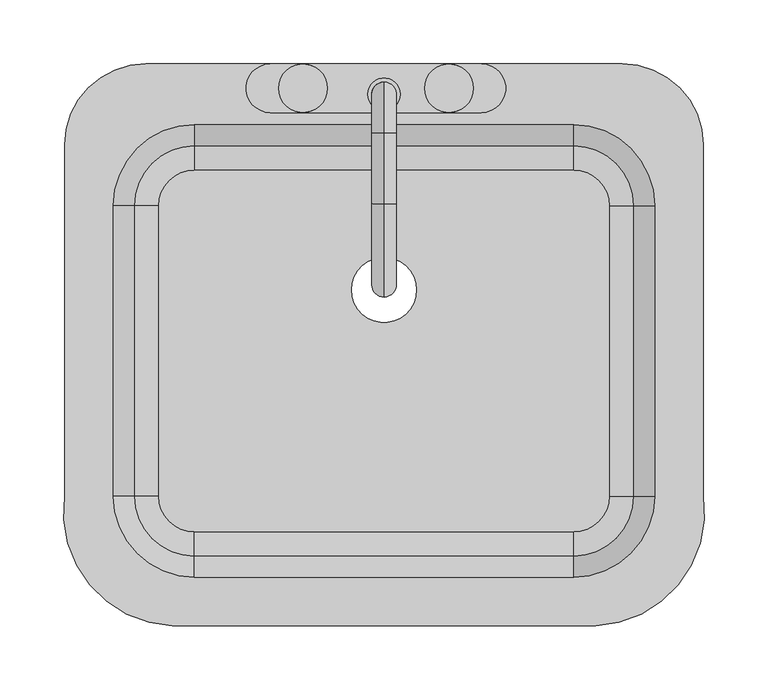
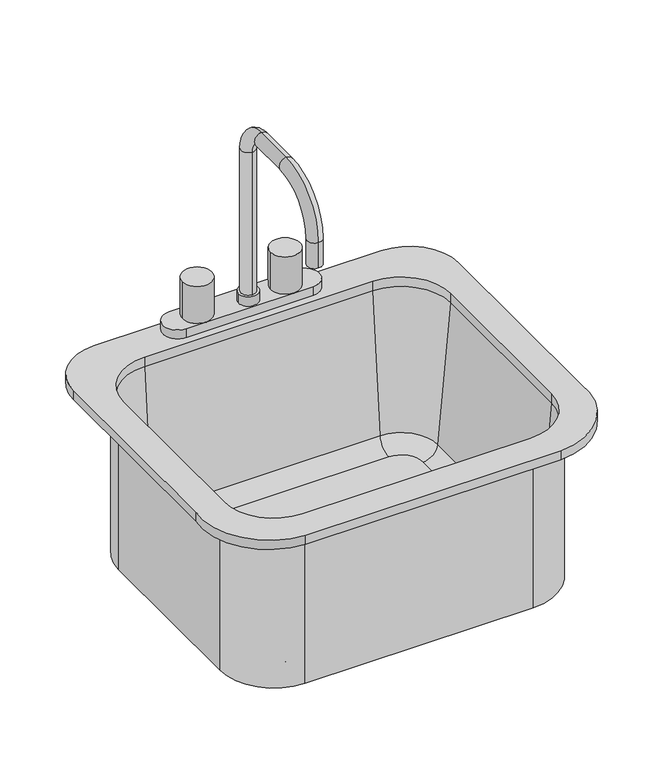
"""IFC4 building model written with IfcOpenShell, lengths in millimetres: flow terminal geometry."""

from ifc_helpers import new_model, si_unit, point, frame, origin, place, context, project, spatial, polyline, circle_curve, ellipse_curve, trimmed, source, transform, mapped, element, save
from ifc_brep_helpers import plane_surface, cylinder_surface, revolved_surface, advanced_brep


def flow_terminal_1e229b74(model_context):
    return source(origin(), model_context, "Body", "AdvancedBrep", [
        advanced_brep(
        [(233.9392406, 69.0204011, 534.1), (164.0892406, 138.8704011, 534.1), (164.0892406, 138.8704011, 750.0), (233.9392406, 69.0204011, 750.0), (233.9392406, -158.2545989, 534.1), (164.0892406, -228.1045989, 534.1), (-132.7107594, -228.1045989, 534.1), (-202.5607594, -158.2545989, 534.1), (-202.5607594, 69.0204011, 534.1), (-132.7107594, 138.8704011, 534.1), (-9.7107594, 3.175, 534.1), (41.0892406, 3.175, 534.1), (192.0776588, 69.0204011, 543.625), (164.0892406, 97.0088193, 543.625), (-132.7107594, 97.0088193, 543.625), (-160.6991776, 69.0204011, 543.625), (-160.6991776, -158.2545989, 543.625), (-132.7107594, -186.2430171, 543.625), (164.0892406, -186.2430171, 543.625), (192.0776588, -158.2545989, 543.625), (-9.7107594, 3.175, 543.625), (41.0892406, 3.175, 543.625), (211.0551678, 69.0204011, 561.0146831), (164.0892406, 115.9863283, 561.0146831), (227.5892406, 69.0204011, 750.0), (164.0892406, 132.5204011, 750.0), (233.9392406, -158.2545989, 750.0), (211.0551678, -158.2545989, 561.0146831), (227.5892406, -158.2545989, 750.0), (164.0892406, -228.1045989, 750.0), (164.0892406, -205.2205261, 561.0146831), (164.0892406, -221.7545989, 750.0), (-132.7107594, -228.1045989, 750.0), (-132.7107594, -205.2205261, 561.0146831), (-132.7107594, -221.7545989, 750.0), (-202.5607594, -158.2545989, 750.0), (-179.6766866, -158.2545989, 561.0146831), (-196.2107594, -158.2545989, 750.0), (-202.5607594, 69.0204011, 750.0), (-179.6766866, 69.0204011, 561.0146831), (-196.2107594, 69.0204011, 750.0), (-132.7107594, 138.8704011, 750.0), (-132.7107594, 115.9863283, 561.0146831), (-132.7107594, 132.5204011, 750.0), (-149.9606923, -259.8545989, 762.7), (181.3391735, -259.8545989, 762.7), (265.6892406, -158.2545989, 762.7), (265.6892406, 116.6454011, 762.7), (202.1892406, 180.1454011, 762.7), (-170.8107593, 180.1454011, 762.7), (-234.3107593, 116.6454011, 762.7), (-234.3107593, -158.2545982, 762.7), (164.0892406, 132.5204011, 762.7), (227.5892406, 69.0204011, 762.7), (227.5892406, -158.2545989, 762.7), (164.0892406, -221.7545989, 762.7), (-132.7107594, -221.7545989, 762.7), (-196.2107594, -158.2545989, 762.7), (-196.2107594, 69.0204011, 762.7), (-132.7107594, 132.5204011, 762.7), (-149.9606923, -259.8545989, 750.0), (-234.3107593, -158.2545982, 750.0), (-234.3107593, 116.6454011, 750.0), (-170.8107593, 180.1454011, 750.0), (202.1892406, 180.1454011, 750.0), (265.6892406, 116.6454011, 750.0), (265.6892406, -158.2545989, 750.0), (181.3391735, -259.8545989, 750.0)],
        [
            (0, 1, circle_curve(frame((164.0892406, 69.0204011, 534.1), z_axis=(0.0, 0.0, 1.0), x_axis=(0.0, 1.0, 0.0)), 69.85)),
            (1, 2),
            (2, 3, circle_curve(frame((164.0892406, 69.0204011, 750.0), z_axis=(0.0, 0.0, -1.0), x_axis=(0.0, 1.0, 0.0)), 69.85)),
            (3, 0),
            (0, 4),
            (4, 5, circle_curve(frame((164.0892406, -158.2545989, 534.1), z_axis=(0.0, 0.0, -1.0), x_axis=(1.0, 0.0, 0.0)), 69.85)),
            (5, 6),
            (6, 7, circle_curve(frame((-132.7107594, -158.2545989, 534.1), z_axis=(0.0, 0.0, -1.0), x_axis=(0.0, -1.0, 0.0)), 69.85)),
            (7, 8),
            (8, 9, circle_curve(frame((-132.7107594, 69.0204011, 534.1), z_axis=(0.0, 0.0, -1.0), x_axis=(-1.0, 0.0, 0.0)), 69.85)),
            (9, 1),
            (10, 11, circle_curve(frame((15.6892406, 3.175, 534.1), z_axis=(0.0, 0.0, 1.0), x_axis=(1.0, 0.0, 0.0)), 25.4)),
            (11, 10, circle_curve(frame((15.6892406, 3.175, 534.1), z_axis=(0.0, 0.0, 1.0), x_axis=(1.0, 0.0, 0.0)), 25.4)),
            (12, 13, circle_curve(frame((164.0892406, 69.0204011, 543.625), z_axis=(0.0, 0.0, 1.0), x_axis=(0.0, 1.0, 0.0)), 27.9884182)),
            (13, 14),
            (14, 15, circle_curve(frame((-132.7107594, 69.0204011, 543.625), z_axis=(0.0, 0.0, 1.0), x_axis=(-1.0, 0.0, 0.0)), 27.9884182)),
            (15, 16),
            (16, 17, circle_curve(frame((-132.7107594, -158.2545989, 543.625), z_axis=(0.0, 0.0, 1.0), x_axis=(0.0, -1.0, 0.0)), 27.9884182)),
            (17, 18),
            (18, 19, circle_curve(frame((164.0892406, -158.2545989, 543.625), z_axis=(0.0, 0.0, 1.0), x_axis=(1.0, 0.0, 0.0)), 27.9884182)),
            (19, 12),
            (20, 21, circle_curve(frame((15.6892406, 3.175, 543.625), z_axis=(0.0, 0.0, -1.0), x_axis=(1.0, 0.0, 0.0)), 25.4)),
            (21, 20, circle_curve(frame((15.6892406, 3.175, 543.625), z_axis=(0.0, 0.0, -1.0), x_axis=(1.0, 0.0, 0.0)), 25.4)),
            (12, 22, circle_curve(frame((192.0776588, 69.0204011, 562.675), z_axis=(0.0, -1.0, 0.0), x_axis=(1.0, 0.0, 0.0)), 19.05)),
            (22, 23, circle_curve(frame((164.0892406, 69.0204011, 561.0146831), z_axis=(0.0, 0.0, 1.0), x_axis=(0.0, 1.0, 0.0)), 46.9659272)),
            (23, 13, circle_curve(frame((164.0892406, 97.0088193, 562.675), z_axis=(-1.0, 0.0, 0.0), x_axis=(0.0, 1.0, 0.0)), 19.05)),
            (22, 24),
            (24, 25, circle_curve(frame((164.0892406, 69.0204011, 750.0), z_axis=(0.0, 0.0, 1.0), x_axis=(0.0, 1.0, 0.0)), 63.5)),
            (25, 23),
            (3, 26),
            (26, 4),
            (19, 27, circle_curve(frame((192.0776588, -158.2545989, 562.675), z_axis=(0.0, -1.0, 0.0), x_axis=(1.0, 0.0, 0.0)), 19.05)),
            (27, 22),
            (27, 28),
            (28, 24),
            (26, 29, circle_curve(frame((164.0892406, -158.2545989, 750.0), z_axis=(0.0, 0.0, -1.0), x_axis=(1.0, 0.0, 0.0)), 69.85)),
            (29, 5),
            (18, 30, circle_curve(frame((164.0892406, -186.2430171, 562.675), z_axis=(-1.0, 0.0, 0.0), x_axis=(0.0, -1.0, 0.0)), 19.05)),
            (30, 27, circle_curve(frame((164.0892406, -158.2545989, 561.0146831), z_axis=(0.0, 0.0, 1.0), x_axis=(1.0, 0.0, 0.0)), 46.9659272)),
            (30, 31),
            (31, 28, circle_curve(frame((164.0892406, -158.2545989, 750.0), z_axis=(0.0, 0.0, 1.0), x_axis=(1.0, 0.0, 0.0)), 63.5)),
            (29, 32),
            (32, 6),
            (17, 33, circle_curve(frame((-132.7107594, -186.2430171, 562.675), z_axis=(-1.0, 0.0, 0.0), x_axis=(0.0, -1.0, 0.0)), 19.05)),
            (33, 30),
            (33, 34),
            (34, 31),
            (32, 35, circle_curve(frame((-132.7107594, -158.2545989, 750.0), z_axis=(0.0, 0.0, -1.0), x_axis=(0.0, -1.0, 0.0)), 69.85)),
            (35, 7),
            (16, 36, circle_curve(frame((-160.6991776, -158.2545989, 562.675), z_axis=(0.0, 1.0, 0.0), x_axis=(-1.0, 0.0, 0.0)), 19.05)),
            (36, 33, circle_curve(frame((-132.7107594, -158.2545989, 561.0146831), z_axis=(0.0, 0.0, 1.0), x_axis=(0.0, -1.0, 0.0)), 46.9659272)),
            (36, 37),
            (37, 34, circle_curve(frame((-132.7107594, -158.2545989, 750.0), z_axis=(0.0, 0.0, 1.0), x_axis=(0.0, -1.0, 0.0)), 63.5)),
            (35, 38),
            (38, 8),
            (15, 39, circle_curve(frame((-160.6991776, 69.0204011, 562.675), z_axis=(0.0, 1.0, 0.0), x_axis=(-1.0, 0.0, 0.0)), 19.05)),
            (39, 36),
            (39, 40),
            (40, 37),
            (38, 41, circle_curve(frame((-132.7107594, 69.0204011, 750.0), z_axis=(0.0, 0.0, -1.0), x_axis=(-1.0, 0.0, 0.0)), 69.85)),
            (41, 9),
            (14, 42, circle_curve(frame((-132.7107594, 97.0088193, 562.675), z_axis=(1.0, 0.0, 0.0), x_axis=(0.0, 1.0, 0.0)), 19.05)),
            (42, 39, circle_curve(frame((-132.7107594, 69.0204011, 561.0146831), z_axis=(0.0, 0.0, 1.0), x_axis=(-1.0, 0.0, 0.0)), 46.9659272)),
            (42, 43),
            (43, 40, circle_curve(frame((-132.7107594, 69.0204011, 750.0), z_axis=(0.0, 0.0, 1.0), x_axis=(-1.0, 0.0, 0.0)), 63.5)),
            (41, 2),
            (23, 42),
            (25, 43),
            (20, 10),
            (11, 21),
            (44, 45),
            (45, 46, circle_curve(frame((177.5319557, -170.8793432, 762.7), z_axis=(0.0, 0.0, 1.0), x_axis=(1.0, 0.0, 0.0)), 89.0566732)),
            (46, 47),
            (47, 48, circle_curve(frame((202.1892406, 116.6454011, 762.7), z_axis=(0.0, 0.0, 1.0), x_axis=(1.0, 0.0, 0.0)), 63.5)),
            (48, 49),
            (49, 50, circle_curve(frame((-170.8107593, 116.6454011, 762.7), z_axis=(0.0, 0.0, 1.0), x_axis=(1.0, 0.0, 0.0)), 63.5)),
            (50, 51),
            (51, 44, circle_curve(frame((-146.1534746, -170.8793432, 762.7), z_axis=(0.0, 0.0, 1.0), x_axis=(1.0, 0.0, 0.0)), 89.0566732)),
            (52, 53, circle_curve(frame((164.0892406, 69.0204011, 762.7), z_axis=(0.0, 0.0, -1.0), x_axis=(1.0, 0.0, 0.0)), 63.5)),
            (53, 54),
            (54, 55, circle_curve(frame((164.0892406, -158.2545989, 762.7), z_axis=(0.0, 0.0, -1.0), x_axis=(1.0, 0.0, 0.0)), 63.5)),
            (55, 56),
            (56, 57, circle_curve(frame((-132.7107594, -158.2545989, 762.7), z_axis=(0.0, 0.0, -1.0), x_axis=(1.0, 0.0, 0.0)), 63.5)),
            (57, 58),
            (58, 59, circle_curve(frame((-132.7107594, 69.0204011, 762.7), z_axis=(0.0, 0.0, -1.0), x_axis=(1.0, 0.0, 0.0)), 63.5)),
            (59, 52),
            (60, 61, circle_curve(frame((-146.1534746, -170.8793432, 750.0), z_axis=(0.0, 0.0, -1.0), x_axis=(1.0, 0.0, 0.0)), 89.0566732)),
            (61, 62),
            (62, 63, circle_curve(frame((-170.8107593, 116.6454011, 750.0), z_axis=(0.0, 0.0, -1.0), x_axis=(1.0, 0.0, 0.0)), 63.5)),
            (63, 64),
            (64, 65, circle_curve(frame((202.1892406, 116.6454011, 750.0), z_axis=(0.0, 0.0, -1.0), x_axis=(1.0, 0.0, 0.0)), 63.5)),
            (65, 66),
            (66, 67, circle_curve(frame((177.5319557, -170.8793432, 750.0), z_axis=(0.0, 0.0, -1.0), x_axis=(1.0, 0.0, 0.0)), 89.0566732)),
            (67, 60),
            (44, 60),
            (67, 45),
            (66, 46),
            (65, 47),
            (64, 48),
            (63, 49),
            (62, 50),
            (61, 51),
            (52, 25),
            (24, 53),
            (28, 54),
            (31, 55),
            (34, 56),
            (37, 57),
            (40, 58),
            (43, 59),
        ],
        [
            cylinder_surface(frame((164.0892406, 69.0204011, 0.0), z_axis=(0.0, 0.0, -1.0), x_axis=(0.0, 1.0, 0.0)), 69.85),
            plane_surface(frame((164.0892406, 69.0204011, 534.1), z_axis=(0.0, 0.0, -1.0), x_axis=(0.0, 1.0, 0.0))),
            plane_surface(frame((164.0892406, 69.0204011, 543.625), z_axis=(0.0, 0.0, 1.0), x_axis=(0.0, 1.0, 0.0))),
            revolved_surface(trimmed(ellipse_curve(frame((164.0892406, 97.0088193, 562.675), z_axis=(1.0, 0.0, 0.0), x_axis=(0.0, 1.0, 0.0)), 19.05, 19.05), [point((164.0892406, 97.0088193, 543.625))], [point((164.0892406, 115.9863283, 561.0146831))], True, "CARTESIAN"), (164.0892406, 69.0204011, 0.0), (0.0, 0.0, -1.0)),
            revolved_surface(polyline([(164.0892406, 115.9863283, 561.0146831), (164.0892406, 132.5204011, 750.0)]), (164.0892406, 69.0204011, 0.0), (0.0, 0.0, -1.0)),
            plane_surface(frame((233.9392406, 69.0204011, 750.0), z_axis=(1.0, 0.0, 0.0), x_axis=(0.0, -1.0, 0.0))),
            revolved_surface(polyline([(211.1276588, -158.25459889999996, 562.675), (211.1276588, 69.0204011, 562.675)]), (192.0776588, 69.0204011, 562.675), (0.0, -1.0, 0.0)),
            plane_surface(frame((211.0551678, 69.0204011, 561.0146831), z_axis=(-0.9961946980917442, 0.0, 0.0871557427476735), x_axis=(0.0, -1.0, 0.0))),
            cylinder_surface(frame((164.0892406, -158.2545989, 0.0), z_axis=(0.0, 0.0, -1.0), x_axis=(1.0, 0.0, 0.0)), 69.85),
            revolved_surface(trimmed(ellipse_curve(frame((192.0776588, -158.2545989, 562.675), z_axis=(0.0, -1.0, 0.0), x_axis=(1.0, 0.0, 0.0)), 19.05, 19.05), [point((192.0776588, -158.2545989, 543.625))], [point((211.0551678, -158.2545989, 561.0146831))], True, "CARTESIAN"), (164.0892406, -158.2545989, 0.0), (0.0, 0.0, -1.0)),
            revolved_surface(polyline([(211.0551678, -158.2545989, 561.0146831), (227.5892406, -158.2545989, 750.0)]), (164.0892406, -158.2545989, 0.0), (0.0, 0.0, -1.0)),
            plane_surface(frame((164.0892406, -228.1045989, 750.0), z_axis=(0.0, -1.0, 0.0), x_axis=(-1.0, 0.0, 0.0))),
            revolved_surface(polyline([(-132.7107594, -205.29301710000001, 562.675), (164.0892406, -205.29301710000001, 562.675)]), (164.0892406, -186.2430171, 562.675), (-1.0, 0.0, 0.0)),
            plane_surface(frame((164.0892406, -205.2205261, 561.0146831), z_axis=(0.0, 0.9961946980917442, 0.0871557427476735), x_axis=(-1.0, 0.0, 0.0))),
            cylinder_surface(frame((-132.7107594, -158.2545989, 0.0), z_axis=(0.0, 0.0, -1.0), x_axis=(0.0, -1.0, 0.0)), 69.85),
            revolved_surface(trimmed(ellipse_curve(frame((-132.7107594, -186.2430171, 562.675), z_axis=(-1.0, 0.0, 0.0), x_axis=(0.0, -1.0, 0.0)), 19.05, 19.05), [point((-132.7107594, -186.2430171, 543.625))], [point((-132.7107594, -205.2205261, 561.0146831))], True, "CARTESIAN"), (-132.7107594, -158.2545989, 0.0), (0.0, 0.0, -1.0)),
            revolved_surface(polyline([(-132.7107594, -205.2205261, 561.0146831), (-132.7107594, -221.7545989, 750.0)]), (-132.7107594, -158.2545989, 0.0), (0.0, 0.0, -1.0)),
            plane_surface(frame((-202.5607594, -158.2545989, 750.0), z_axis=(-1.0, 0.0, 0.0), x_axis=(0.0, 1.0, 0.0))),
            revolved_surface(polyline([(-179.74917760000002, 69.02040109999999, 562.675), (-179.74917760000002, -158.2545989, 562.675)]), (-160.6991776, -158.2545989, 562.675), (0.0, 1.0, 0.0)),
            plane_surface(frame((-179.6766866, -158.2545989, 561.0146831), z_axis=(0.9961946980917442, 0.0, 0.0871557427476735), x_axis=(0.0, 1.0, 0.0))),
            cylinder_surface(frame((-132.7107594, 69.0204011, 0.0), z_axis=(0.0, 0.0, -1.0), x_axis=(-1.0, 0.0, 0.0)), 69.85),
            revolved_surface(trimmed(ellipse_curve(frame((-160.6991776, 69.0204011, 562.675), z_axis=(0.0, 1.0, 0.0), x_axis=(-1.0, 0.0, 0.0)), 19.05, 19.05), [point((-160.6991776, 69.0204011, 543.625))], [point((-179.6766866, 69.0204011, 561.0146831))], True, "CARTESIAN"), (-132.7107594, 69.0204011, 0.0), (0.0, 0.0, -1.0)),
            revolved_surface(polyline([(-179.6766866, 69.0204011, 561.0146831), (-196.2107594, 69.0204011, 750.0)]), (-132.7107594, 69.0204011, 0.0), (0.0, 0.0, -1.0)),
            plane_surface(frame((-132.7107594, 138.8704011, 750.0), z_axis=(0.0, 1.0, 0.0), x_axis=(1.0, 0.0, 0.0))),
            revolved_surface(polyline([(164.0892406, 116.0588193, 562.675), (-132.7107594, 116.0588193, 562.675)]), (-132.7107594, 97.0088193, 562.675), (1.0, 0.0, 0.0)),
            plane_surface(frame((-132.7107594, 115.9863283, 561.0146831), z_axis=(0.0, -0.9961946980917442, 0.0871557427476735), x_axis=(1.0, 0.0, 0.0))),
            revolved_surface(polyline([(41.0892406, 3.175, 534.1), (41.0892406, 3.175, 543.625)]), (15.6892406, 3.175, 0.0), (0.0, 0.0, -1.0)),
            plane_surface(frame((181.3391735, -259.8545989, 762.7), z_axis=(0.0, 0.0, 1.0), x_axis=(1.0, 0.0, 0.0))),
            plane_surface(frame((181.3391735, -259.8545989, 750.0), z_axis=(0.0, 0.0, -1.0), x_axis=(-1.0, 0.0, 0.0))),
            plane_surface(frame((-149.9606923, -259.8545989, 762.7), z_axis=(0.0, -1.0, 0.0), x_axis=(0.0, 0.0, -1.0))),
            cylinder_surface(frame((177.5319557, -170.8793432, 750.0), z_axis=(0.0, 0.0, 1.0), x_axis=(1.0, 0.0, 0.0)), 89.0566732),
            plane_surface(frame((265.6892406, -158.2545989, 762.7), z_axis=(1.0, 0.0, 0.0), x_axis=(0.0, 0.0, -1.0))),
            cylinder_surface(frame((202.1892406, 116.6454011, 750.0), z_axis=(0.0, 0.0, 1.0), x_axis=(1.0, 0.0, 0.0)), 63.5),
            plane_surface(frame((202.1892406, 180.1454011, 762.7), z_axis=(0.0, 1.0, 0.0), x_axis=(0.0, 0.0, -1.0))),
            cylinder_surface(frame((-170.8107593, 116.6454011, 750.0), z_axis=(0.0, 0.0, 1.0), x_axis=(1.0, 0.0, 0.0)), 63.5),
            plane_surface(frame((-234.3107593, 116.6454011, 762.7), z_axis=(-1.0, 0.0, 0.0), x_axis=(0.0, 0.0, -1.0))),
            cylinder_surface(frame((-146.1534746, -170.8793432, 750.0), z_axis=(0.0, 0.0, 1.0), x_axis=(1.0, 0.0, 0.0)), 89.0566732),
            revolved_surface(polyline([(227.5892406, 69.0204011, 750.0), (227.5892406, 69.0204011, 762.7)]), (164.0892406, 69.0204011, 0.0), (0.0, 0.0, -1.0)),
            plane_surface(frame((227.5892406, 69.0204011, 762.7), z_axis=(-1.0, 0.0, 0.0), x_axis=(0.0, 0.0, -1.0))),
            revolved_surface(polyline([(227.5892406, -158.2545989, 750.0), (227.5892406, -158.2545989, 762.7)]), (164.0892406, -158.2545989, 0.0), (0.0, 0.0, -1.0)),
            plane_surface(frame((164.0892406, -221.7545989, 762.7), z_axis=(0.0, 1.0, 0.0), x_axis=(0.0, 0.0, -1.0))),
            revolved_surface(polyline([(-69.2107594, -158.2545989, 750.0), (-69.2107594, -158.2545989, 762.7)]), (-132.7107594, -158.2545989, 0.0), (0.0, 0.0, -1.0)),
            plane_surface(frame((-196.2107594, -158.2545989, 762.7), z_axis=(1.0, 0.0, 0.0), x_axis=(0.0, 0.0, -1.0))),
            revolved_surface(polyline([(-69.2107594, 69.0204011, 750.0), (-69.2107594, 69.0204011, 762.7)]), (-132.7107594, 69.0204011, 0.0), (0.0, 0.0, -1.0)),
            plane_surface(frame((-132.7107594, 132.5204011, 762.7), z_axis=(0.0, -1.0, 0.0), x_axis=(0.0, 0.0, -1.0))),
        ],
        [
            (0, [[1, 2, 3, 4]]),
            (1, [[-1, 5, 6, 7, 8, 9, 10, 11], [12, 13]]),
            (2, [[14, 15, 16, 17, 18, 19, 20, 21], [22, 23]]),
            (3, [[-14, 24, 25, 26]]),
            (4, [[-25, 27, 28, 29]]),
            (5, [[-4, 30, 31, -5]]),
            (6, [[-24, -21, 32, 33]]),
            (7, [[-27, -33, 34, 35]]),
            (8, [[-31, 36, 37, -6]]),
            (9, [[-32, -20, 38, 39]]),
            (10, [[-34, -39, 40, 41]]),
            (11, [[-37, 42, 43, -7]]),
            (12, [[-38, -19, 44, 45]]),
            (13, [[-40, -45, 46, 47]]),
            (14, [[-43, 48, 49, -8]]),
            (15, [[-44, -18, 50, 51]]),
            (16, [[-46, -51, 52, 53]]),
            (17, [[-49, 54, 55, -9]]),
            (18, [[-50, -17, 56, 57]]),
            (19, [[-52, -57, 58, 59]]),
            (20, [[-55, 60, 61, -10]]),
            (21, [[-56, -16, 62, 63]]),
            (22, [[-58, -63, 64, 65]]),
            (23, [[-2, -11, -61, 66]]),
            (24, [[-26, 67, -62, -15]]),
            (25, [[-29, 68, -64, -67]]),
            (26, [[-22, 69, -13, 70]]),
            (26, [[-23, -70, -12, -69]]),
            (27, [[71, 72, 73, 74, 75, 76, 77, 78], [79, 80, 81, 82, 83, 84, 85, 86]]),
            (28, [[87, 88, 89, 90, 91, 92, 93, 94], [-3, -66, -60, -54, -48, -42, -36, -30]]),
            (29, [[-71, 95, -94, 96]]),
            (30, [[-72, -96, -93, 97]]),
            (31, [[-73, -97, -92, 98]]),
            (32, [[-74, -98, -91, 99]]),
            (33, [[-75, -99, -90, 100]]),
            (34, [[-76, -100, -89, 101]]),
            (35, [[-77, -101, -88, 102]]),
            (36, [[-78, -102, -87, -95]]),
            (37, [[-79, 103, -28, 104]]),
            (38, [[-80, -104, -35, 105]]),
            (39, [[-81, -105, -41, 106]]),
            (40, [[-82, -106, -47, 107]]),
            (41, [[-83, -107, -53, 108]]),
            (42, [[-84, -108, -59, 109]]),
            (43, [[-85, -109, -65, 110]]),
            (44, [[-86, -110, -68, -103]]),
        ],
    ),
        advanced_brep(
        [(91.8892406, 180.1454011, 762.7), (91.8892406, 142.0454011, 762.7), (66.4892406, 142.0454011, 762.7), (-47.8107594, 142.0454011, 762.7), (-73.2107594, 142.0454011, 762.7), (-73.2107594, 180.1454011, 762.7), (-47.8107594, 180.1454011, 762.7), (66.4892406, 180.1454011, 762.7), (15.6892406, 165.8579011, 983.3625), (15.6892406, 146.8079011, 983.3625), (15.6892406, 146.8079011, 788.1), (15.6892406, 165.8579011, 788.1), (15.6892406, 126.1704011, 1023.05), (15.6892406, 126.1704011, 1004.0), (15.6892406, 70.6079011, 1023.05), (15.6892406, 70.6079011, 1004.0), (15.6892406, -2.4170989, 950.025), (15.6892406, 16.6329011, 950.025), (15.6892406, -2.4170989, 915.1), (15.6892406, 16.6329011, 915.1), (2.9892406, 156.3329011, 788.1), (28.3892406, 156.3329011, 788.1), (2.9892406, 156.3329011, 775.2), (28.3892406, 156.3329011, 775.2), (-73.2107594, 180.1454011, 775.2), (-73.2107594, 142.0454011, 775.2), (-47.8107594, 142.0454011, 775.2), (-66.8607594, 161.0954011, 775.2), (-47.8107594, 180.1454011, 775.2), (91.8892406, 142.0454011, 775.2), (91.8892406, 180.1454011, 775.2), (66.4892406, 180.1454011, 775.2), (85.5392406, 161.0954011, 775.2), (66.4892406, 142.0454011, 775.2), (-28.7607594, 161.0954011, 775.2), (47.4392406, 161.0954011, 775.2), (-66.8607594, 161.0954011, 826.2), (-28.7607594, 161.0954011, 826.2), (47.4392406, 161.0954011, 826.2), (85.5392406, 161.0954011, 826.2)],
        [
            (0, 1, circle_curve(frame((91.8892406, 161.0954011, 762.7), z_axis=(0.0, 0.0, -1.0), x_axis=(1.0, 0.0, 0.0)), 19.05)),
            (1, 2),
            (2, 3),
            (3, 4),
            (4, 5, circle_curve(frame((-73.2107594, 161.0954011, 762.7), z_axis=(0.0, 0.0, -1.0), x_axis=(1.0, 0.0, 0.0)), 19.05)),
            (5, 6),
            (6, 7),
            (7, 0),
            (8, 9, circle_curve(frame((15.6892406, 156.3329011, 983.3625), z_axis=(0.0, 0.0, -1.0), x_axis=(0.0, -1.0, 0.0)), 9.525)),
            (9, 10),
            (10, 11, circle_curve(frame((15.6892406, 156.3329011, 788.1), z_axis=(0.0, 0.0, 1.0), x_axis=(0.0, -1.0, 0.0)), 9.525)),
            (11, 8),
            (9, 8, circle_curve(frame((15.6892406, 156.3329011, 983.3625), z_axis=(0.0, 0.0, -1.0), x_axis=(0.0, -1.0, 0.0)), 9.525)),
            (11, 10, circle_curve(frame((15.6892406, 156.3329011, 788.1), z_axis=(0.0, 0.0, 1.0), x_axis=(0.0, -1.0, 0.0)), 9.525)),
            (8, 12, circle_curve(frame((15.6892406, 126.1704011, 983.3625), z_axis=(1.0, 0.0, 0.0), x_axis=(0.0, 1.0, 0.0)), 39.6875)),
            (12, 13, circle_curve(frame((15.6892406, 126.1704011, 1013.525), z_axis=(0.0, 1.0, 0.0), x_axis=(0.0, 0.0, -1.0)), 9.525)),
            (13, 9, circle_curve(frame((15.6892406, 126.1704011, 983.3625), z_axis=(-1.0, 0.0, 0.0), x_axis=(0.0, 1.0, 0.0)), 20.6375)),
            (13, 12, circle_curve(frame((15.6892406, 126.1704011, 1013.525), z_axis=(0.0, 1.0, 0.0), x_axis=(0.0, 0.0, -1.0)), 9.525)),
            (12, 14),
            (14, 15, circle_curve(frame((15.6892406, 70.6079011, 1013.525), z_axis=(0.0, 1.0, 0.0), x_axis=(0.0, 0.0, -1.0)), 9.525)),
            (15, 13),
            (15, 14, circle_curve(frame((15.6892406, 70.6079011, 1013.525), z_axis=(0.0, 1.0, 0.0), x_axis=(0.0, 0.0, -1.0)), 9.525)),
            (14, 16, circle_curve(frame((15.6892406, 70.6079011, 950.025), z_axis=(1.0, 0.0, 0.0), x_axis=(0.0, 0.0, 1.0)), 73.025)),
            (16, 17, circle_curve(frame((15.6892406, 7.1079011, 950.025), z_axis=(0.0, 0.0, 1.0), x_axis=(0.0, 1.0, 0.0)), 9.525)),
            (17, 15, circle_curve(frame((15.6892406, 70.6079011, 950.025), z_axis=(-1.0, 0.0, 0.0), x_axis=(0.0, 0.0, 1.0)), 53.975)),
            (17, 16, circle_curve(frame((15.6892406, 7.1079011, 950.025), z_axis=(0.0, 0.0, 1.0), x_axis=(0.0, 1.0, 0.0)), 9.525)),
            (18, 19, circle_curve(frame((15.6892406, 7.1079011, 915.1), z_axis=(0.0, 0.0, -1.0), x_axis=(0.0, 1.0, 0.0)), 9.525)),
            (19, 18, circle_curve(frame((15.6892406, 7.1079011, 915.1), z_axis=(0.0, 0.0, -1.0), x_axis=(0.0, 1.0, 0.0)), 9.525)),
            (16, 18),
            (19, 17),
            (20, 21, circle_curve(frame((15.6892406, 156.3329011, 788.1), z_axis=(0.0, 0.0, 1.0), x_axis=(1.0, 0.0, 0.0)), 12.7)),
            (21, 20, circle_curve(frame((15.6892406, 156.3329011, 788.1), z_axis=(0.0, 0.0, 1.0), x_axis=(1.0, 0.0, 0.0)), 12.7)),
            (20, 22),
            (22, 23, circle_curve(frame((15.6892406, 156.3329011, 775.2), z_axis=(0.0, 0.0, 1.0), x_axis=(1.0, 0.0, 0.0)), 12.7)),
            (23, 21),
            (23, 22, circle_curve(frame((15.6892406, 156.3329011, 775.2), z_axis=(0.0, 0.0, 1.0), x_axis=(1.0, 0.0, 0.0)), 12.7)),
            (24, 25, circle_curve(frame((-73.2107594, 161.0954011, 775.2), z_axis=(0.0, 0.0, 1.0), x_axis=(1.0, 0.0, 0.0)), 19.05)),
            (25, 26),
            (26, 27, circle_curve(frame((-47.8107594, 161.0954011, 775.2), z_axis=(0.0, 0.0, -1.0), x_axis=(1.0, 0.0, 0.0)), 19.05)),
            (27, 28, circle_curve(frame((-47.8107594, 161.0954011, 775.2), z_axis=(0.0, 0.0, -1.0), x_axis=(1.0, 0.0, 0.0)), 19.05)),
            (28, 24),
            (29, 30, circle_curve(frame((91.8892406, 161.0954011, 775.2), z_axis=(0.0, 0.0, 1.0), x_axis=(1.0, 0.0, 0.0)), 19.05)),
            (30, 31),
            (31, 32, circle_curve(frame((66.4892406, 161.0954011, 775.2), z_axis=(0.0, 0.0, -1.0), x_axis=(1.0, 0.0, 0.0)), 19.05)),
            (32, 33, circle_curve(frame((66.4892406, 161.0954011, 775.2), z_axis=(0.0, 0.0, -1.0), x_axis=(1.0, 0.0, 0.0)), 19.05)),
            (33, 29),
            (31, 28),
            (28, 34, circle_curve(frame((-47.8107594, 161.0954011, 775.2), z_axis=(0.0, 0.0, -1.0), x_axis=(1.0, 0.0, 0.0)), 19.05)),
            (34, 26, circle_curve(frame((-47.8107594, 161.0954011, 775.2), z_axis=(0.0, 0.0, -1.0), x_axis=(1.0, 0.0, 0.0)), 19.05)),
            (26, 33),
            (33, 35, circle_curve(frame((66.4892406, 161.0954011, 775.2), z_axis=(0.0, 0.0, -1.0), x_axis=(1.0, 0.0, 0.0)), 19.05)),
            (35, 31, circle_curve(frame((66.4892406, 161.0954011, 775.2), z_axis=(0.0, 0.0, -1.0), x_axis=(1.0, 0.0, 0.0)), 19.05)),
            (30, 0),
            (5, 24),
            (4, 25),
            (1, 29),
            (36, 37, circle_curve(frame((-47.8107594, 161.0954011, 826.2), z_axis=(0.0, 0.0, 1.0), x_axis=(1.0, 0.0, 0.0)), 19.05)),
            (37, 36, circle_curve(frame((-47.8107594, 161.0954011, 826.2), z_axis=(0.0, 0.0, 1.0), x_axis=(1.0, 0.0, 0.0)), 19.05)),
            (38, 39, circle_curve(frame((66.4892406, 161.0954011, 826.2), z_axis=(0.0, 0.0, 1.0), x_axis=(1.0, 0.0, 0.0)), 19.05)),
            (39, 38, circle_curve(frame((66.4892406, 161.0954011, 826.2), z_axis=(0.0, 0.0, 1.0), x_axis=(1.0, 0.0, 0.0)), 19.05)),
            (36, 27),
            (34, 37),
            (38, 35),
            (32, 39),
        ],
        [
            plane_surface(frame((15.6892406, 146.8079011, 762.7), z_axis=(0.0, 0.0, -1.0), x_axis=(1.0, 0.0, 0.0))),
            cylinder_surface(frame((15.6892406, 156.3329011, 762.7), z_axis=(0.0, 0.0, -1.0), x_axis=(0.0, -1.0, 0.0)), 9.525),
            revolved_surface(trimmed(ellipse_curve(frame((15.6892406, 156.3329011, 983.3625), z_axis=(0.0, 0.0, -1.0), x_axis=(0.0, -1.0, 0.0)), 9.525, 9.525), [point((15.6892406, 165.8579011, 983.3625))], [point((15.6892406, 146.8079011, 983.3625))], True, "CARTESIAN"), (15.6892406, 126.1704011, 983.3625), (1.0, 0.0, 0.0)),
            revolved_surface(trimmed(ellipse_curve(frame((15.6892406, 156.3329011, 983.3625), z_axis=(0.0, 0.0, -1.0), x_axis=(0.0, -1.0, 0.0)), 9.525, 9.525), [point((15.6892406, 146.8079011, 983.3625))], [point((15.6892406, 165.8579011, 983.3625))], True, "CARTESIAN"), (15.6892406, 126.1704011, 983.3625), (1.0, 0.0, 0.0)),
            cylinder_surface(frame((15.6892406, 126.1704011, 1013.525), z_axis=(0.0, 1.0, 0.0), x_axis=(0.0, 0.0, -1.0)), 9.525),
            revolved_surface(trimmed(ellipse_curve(frame((15.6892406, 70.6079011, 1013.525), z_axis=(0.0, 1.0, 0.0), x_axis=(0.0, 0.0, -1.0)), 9.525, 9.525), [point((15.6892406, 70.6079011, 1023.05))], [point((15.6892406, 70.6079011, 1004.0))], True, "CARTESIAN"), (15.6892406, 70.6079011, 950.025), (1.0, 0.0, 0.0)),
            revolved_surface(trimmed(ellipse_curve(frame((15.6892406, 70.6079011, 1013.525), z_axis=(0.0, 1.0, 0.0), x_axis=(0.0, 0.0, -1.0)), 9.525, 9.525), [point((15.6892406, 70.6079011, 1004.0))], [point((15.6892406, 70.6079011, 1023.05))], True, "CARTESIAN"), (15.6892406, 70.6079011, 950.025), (1.0, 0.0, 0.0)),
            plane_surface(frame((15.6892406, -2.4170989, 915.1), z_axis=(0.0, 0.0, -1.0), x_axis=(-1.0, 0.0, 0.0))),
            cylinder_surface(frame((15.6892406, 7.1079011, 950.025), z_axis=(0.0, 0.0, 1.0), x_axis=(0.0, 1.0, 0.0)), 9.525),
            plane_surface(frame((28.3892406, 156.3329011, 788.1), z_axis=(0.0, 0.0, 1.0), x_axis=(0.0, 1.0, 0.0))),
            cylinder_surface(frame((15.6892406, 156.3329011, 762.7), z_axis=(0.0, 0.0, 1.0), x_axis=(1.0, 0.0, 0.0)), 12.7),
            plane_surface(frame((-73.2107594, 180.1454011, 775.2), z_axis=(0.0, 0.0, 1.0), x_axis=(-1.0, 0.0, 0.0))),
            plane_surface(frame((91.8892406, 180.1454011, 775.2), z_axis=(0.0, 1.0, 0.0), x_axis=(0.0, 0.0, -1.0))),
            cylinder_surface(frame((-73.2107594, 161.0954011, 762.7), z_axis=(0.0, 0.0, 1.0), x_axis=(1.0, 0.0, 0.0)), 19.05),
            plane_surface(frame((-73.2107594, 142.0454011, 775.2), z_axis=(0.0, -1.0, 0.0), x_axis=(0.0, 0.0, -1.0))),
            cylinder_surface(frame((91.8892406, 161.0954011, 762.7), z_axis=(0.0, 0.0, 1.0), x_axis=(1.0, 0.0, 0.0)), 19.05),
            plane_surface(frame((-28.7607594, 161.0954011, 826.2), z_axis=(0.0, 0.0, 1.0), x_axis=(0.0, 1.0, 0.0))),
            cylinder_surface(frame((-47.8107594, 161.0954011, 762.7), z_axis=(0.0, 0.0, 1.0), x_axis=(1.0, 0.0, 0.0)), 19.05),
            cylinder_surface(frame((66.4892406, 161.0954011, 0.0), z_axis=(0.0, 0.0, 1.0), x_axis=(1.0, 0.0, 0.0)), 19.05),
        ],
        [
            (0, [[1, 2, 3, 4, 5, 6, 7, 8]]),
            (1, [[9, 10, 11, 12]]),
            (1, [[13, -12, 14, -10]]),
            (2, [[-9, 15, 16, 17]]),
            (3, [[-13, -17, 18, -15]]),
            (4, [[-16, 19, 20, 21]]),
            (4, [[-18, -21, 22, -19]]),
            (5, [[-20, 23, 24, 25]]),
            (6, [[-22, -25, 26, -23]]),
            (7, [[27, 28]]),
            (8, [[-24, 29, -28, 30]]),
            (8, [[-26, -30, -27, -29]]),
            (9, [[31, 32], [-11, -14]]),
            (10, [[-31, 33, 34, 35]]),
            (10, [[-32, -35, 36, -33]]),
            (11, [[37, 38, 39, 40, 41]]),
            (11, [[42, 43, 44, 45, 46]]),
            (11, [[47, 48, 49, 50, 51, 52], [-34, -36]]),
            (12, [[53, -8, -7, -6, 54, -41, -47, -43]]),
            (13, [[-37, -54, -5, 55]]),
            (14, [[-55, -4, -3, -2, 56, -46, -50, -38]]),
            (15, [[-42, -56, -1, -53]]),
            (16, [[57, 58]]),
            (16, [[59, 60]]),
            (17, [[-57, 61, -39, -49, 62]]),
            (17, [[-58, -62, -48, -40, -61]]),
            (18, [[-59, 63, -51, -45, 64]]),
            (18, [[-60, -64, -44, -52, -63]]),
        ],
    ),
    ])


if __name__ == "__main__":
    model = new_model("IFC4")
    model_context = context("Model", 3, world=origin())
    ifc_project = project(units=[si_unit("LENGTHUNIT", "METRE", prefix="MILLI")], contexts=[model_context])
    site = spatial("IfcSite", under=ifc_project)
    building = spatial("IfcBuilding", under=site)
    placement = place(None, origin())
    flow_terminal_shape = flow_terminal_1e229b74(model_context)
    element("IfcFlowTerminal", 1, at=placement, inside=building, context=model_context, shape_type="MappedRepresentation", body=[
        mapped(flow_terminal_shape, transform((0.0, 0.0, 0.0), x_axis=(1.0, 0.0, 0.0), y_axis=(0.0, 1.0, 0.0), z_axis=(0.0, 0.0, 1.0))),
    ])
    save(model, "model.ifc")
